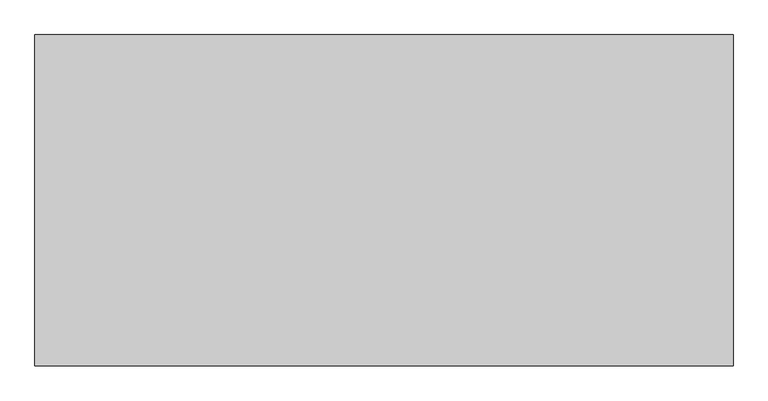
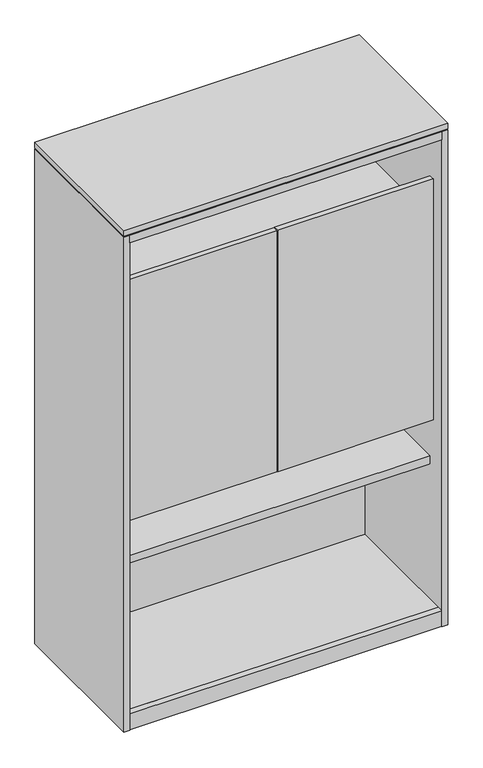
"""IFC4 building model written with IfcOpenShell, lengths in millimetres: furniture geometry."""

from ifc_helpers import new_model, si_unit, frame, origin, origin_with_axes, place, context, project, spatial, polyline, outline, extrude, source, transform, mapped, element, save


def furniture_c2397f9f(model_context):
    return source(origin(), model_context, "Body", "SweptSolid", [
        extrude(outline(polyline([(530.6695, -455.62012), (20.01012, -455.62012), (20.01012, -438.26938), (530.6695, -438.26938), (530.6695, -455.62012)])), frame((0.0, 0.0, 690.7657), z_axis=(0.0, 0.0, 1.0), x_axis=(1.0, 0.0, 0.0)), (0.0, 0.0, 1.0), 835.9775),
        extrude(outline(polyline([(1043.61488, -455.62012), (532.9555, -455.62012), (532.9555, -438.26938), (1043.61488, -438.26938), (1043.61488, -455.62012)])), frame((0.0, 0.0, 690.7657), z_axis=(0.0, 0.0, 1.0), x_axis=(1.0, 0.0, 0.0)), (0.0, 0.0, 1.0), 835.9775),
        extrude(outline(polyline([(1043.61488, -66.55562), (20.01012, -66.55562), (20.01012, -49.20488), (1043.61488, -49.20488), (1043.61488, -66.55562)])), frame((0.0, 0.0, 1387.5512), z_axis=(0.0, 0.0, 1.0), x_axis=(1.0, 0.0, 0.0)), (0.0, 0.0, 1.0), 139.192),
        extrude(outline(polyline([(1043.61488, -438.26938), (20.01012, -438.26938), (20.01012, -66.55562), (1043.61488, -66.55562), (1043.61488, -438.26938)])), frame((0.0, 0.0, 1359.11336), z_axis=(0.0, 0.0, 1.0), x_axis=(1.0, 0.0, 0.0)), (0.0, 0.0, 1.0), 28.43784),
        extrude(outline(polyline([(1043.61488, -66.55562), (20.01012, -66.55562), (20.01012, -49.20488), (1043.61488, -49.20488), (1043.61488, -66.55562)])), frame((0.0, 0.0, 1054.9636), z_axis=(0.0, 0.0, 1.0), x_axis=(1.0, 0.0, 0.0)), (0.0, 0.0, 1.0), 139.192),
        extrude(outline(polyline([(1043.61488, -438.26938), (20.01012, -438.26938), (20.01012, -66.55562), (1043.61488, -66.55562), (1043.61488, -438.26938)])), frame((0.0, 0.0, 1026.52576), z_axis=(0.0, 0.0, 1.0), x_axis=(1.0, 0.0, 0.0)), (0.0, 0.0, 1.0), 28.43784),
        extrude(outline(polyline([(1043.61488, -66.55562), (20.01012, -66.55562), (20.01012, -49.20488), (1043.61488, -49.20488), (1043.61488, -66.55562)])), frame((0.0, 0.0, 58.7502), z_axis=(0.0, 0.0, 1.0), x_axis=(1.0, 0.0, 0.0)), (0.0, 0.0, 1.0), 467.89594),
        extrude(outline(polyline([(1043.61488, -438.26938), (20.01012, -438.26938), (20.01012, -66.55562), (1043.61488, -66.55562), (1043.61488, -438.26938)])), frame((0.0, 0.0, 529.16328), z_axis=(0.0, 0.0, 1.0), x_axis=(1.0, 0.0, 0.0)), (0.0, 0.0, 1.0), 26.92146),
        extrude(outline(polyline([(1043.61488, -438.26938), (20.01012, -438.26938), (20.01012, -66.55562), (1043.61488, -66.55562), (1043.61488, -438.26938)])), frame((0.0, 0.0, 690.7657), z_axis=(0.0, 0.0, 1.0), x_axis=(1.0, 0.0, 0.0)), (0.0, 0.0, 1.0), 31.6103),
        extrude(outline(polyline([(1043.61488, -66.55562), (20.01012, -66.55562), (20.01012, -49.20488), (1043.61488, -49.20488), (1043.61488, -66.55562)])), frame((0.0, 0.0, 722.376), z_axis=(0.0, 0.0, 1.0), x_axis=(1.0, 0.0, 0.0)), (0.0, 0.0, 1.0), 139.192),
        extrude(outline(polyline([(1043.61488, -504.825), (20.01012, -504.825), (20.01012, -2.54), (1043.61488, -2.54), (1043.61488, -504.825)])), frame((0.0, 0.0, 1693.2148), z_axis=(0.0, 0.0, 1.0), x_axis=(1.0, 0.0, 0.0)), (0.0, 0.0, 1.0), 26.924),
        extrude(outline(polyline([(1043.61488, -483.9335), (1043.61488, -503.2375), (20.01012, -503.2375), (20.01012, -483.9335), (1043.61488, -483.9335)])), frame((0.0, 0.0, 3.5814), z_axis=(0.0, 0.0, 1.0), x_axis=(1.0, 0.0, 0.0)), (0.0, 0.0, 1.0), 55.1688),
        extrude(outline(polyline([(44.5897, -26.1874), (60.2488, -35.2281856), (60.2488, -53.3097568), (44.5897, -62.3505424), (28.9306, -53.3097568), (28.9306, -35.2281856), (44.5897, -26.1874)])), origin_with_axes(), (0.0, 0.0, 1.0), 8.4328),
        extrude(outline(polyline([(44.5897, -478.6376), (28.9306, -469.5968144), (28.9306, -451.5152432), (44.5897, -442.4744576), (60.2488, -451.5152432), (60.2488, -469.5968144), (44.5897, -478.6376)])), origin_with_axes(), (0.0, 0.0, 1.0), 8.4328),
        extrude(outline(polyline([(1019.0353, -26.1874), (1034.6944, -35.2281856), (1034.6944, -53.3097568), (1019.0353, -62.3505424), (1003.3762, -53.3097568), (1003.3762, -35.2281856), (1019.0353, -26.1874)])), origin_with_axes(), (0.0, 0.0, 1.0), 8.4328),
        extrude(outline(polyline([(1019.0353, -478.6376), (1003.3762, -469.5968144), (1003.3762, -451.5152432), (1019.0353, -442.4744576), (1034.6944, -451.5152432), (1034.6944, -469.5968144), (1019.0353, -478.6376)])), origin_with_axes(), (0.0, 0.0, 1.0), 8.4328),
        extrude(outline(polyline([(1063.625, -504.825), (0.0, -504.825), (0.0, 0.0), (1063.625, 0.0), (1063.625, -504.825)])), frame((0.0, 0.0, 1723.6948), z_axis=(0.0, 0.0, 1.0), x_axis=(1.0, 0.0, 0.0)), (0.0, 0.0, 1.0), 19.304),
        extrude(outline(polyline([(1043.61488, 0.0), (1043.61488, -483.9335), (21.59762, -483.9335), (21.59762, 0.0), (1043.61488, 0.0)])), frame((0.0, 0.0, 3.5814), z_axis=(0.0, 0.0, 1.0), x_axis=(1.0, 0.0, 0.0)), (0.0, 0.0, 1.0), 55.1688),
        extrude(outline(polyline([(20.01012, -504.825), (0.0, -504.825), (0.0, 0.0), (20.01012, 0.0), (20.01012, -504.825)])), frame((0.0, 0.0, 3.5814), z_axis=(0.0, 0.0, 1.0), x_axis=(1.0, 0.0, 0.0)), (0.0, 0.0, 1.0), 1716.5574),
        extrude(outline(polyline([(1063.625, -504.825), (1043.61488, -504.825), (1043.61488, 0.0), (1063.625, 0.0), (1063.625, -504.825)])), frame((0.0, 0.0, 3.5814), z_axis=(0.0, 0.0, 1.0), x_axis=(1.0, 0.0, 0.0)), (0.0, 0.0, 1.0), 1716.5574),
    ])


if __name__ == "__main__":
    model = new_model("IFC4")
    model_context = context("Model", 3, world=origin())
    ifc_project = project(units=[si_unit("LENGTHUNIT", "METRE", prefix="MILLI")], contexts=[model_context])
    site = spatial("IfcSite", under=ifc_project)
    building = spatial("IfcBuilding", under=site)
    placement = place(None, origin())
    furniture_shape = furniture_c2397f9f(model_context)
    element("IfcFurniture", 1, at=placement, inside=building, context=model_context, shape_type="MappedRepresentation", body=[
        mapped(furniture_shape, transform((0.0, 0.0, 0.0), x_axis=(1.0, 0.0, 0.0), y_axis=(0.0, 1.0, 0.0), z_axis=(0.0, 0.0, 1.0))),
    ])
    save(model, "model.ifc")
